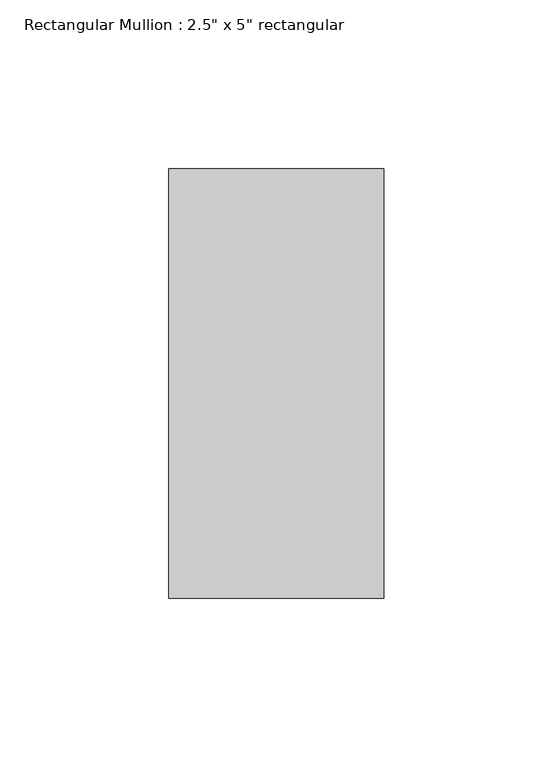
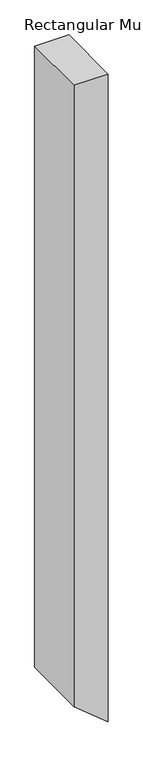
"""IFC4 building model written with IfcOpenShell, lengths in millimetres: member geometry."""

from ifc_helpers import new_model, si_unit, frame, origin, place, context, project, spatial, polyline, outline, extrude, source, transform, mapped, element, save


def member_1c48c444(model_context):
    return source(origin(), model_context, "Body", "SweptSolid", [
        extrude(outline(polyline([(0.0, 0.0), (0.0, -63.5), (-1221.8843238, -63.5), (-1274.0829501, 0.0), (0.0, 0.0)])), frame((0.0, -63.5, 0.0), z_axis=(0.0, 1.0, 0.0), x_axis=(0.0, 0.0, 1.0)), (0.0, 0.0, 1.0), 127.0),
    ])


if __name__ == "__main__":
    model = new_model("IFC4")
    model_context = context("Model", 3, world=origin())
    ifc_project = project(units=[si_unit("LENGTHUNIT", "METRE", prefix="MILLI")], contexts=[model_context])
    site = spatial("IfcSite", under=ifc_project)
    building = spatial("IfcBuilding", under=site)
    placement = place(None, origin())
    member_shape = member_1c48c444(model_context)
    element("IfcMember", 1, ObjectType="Rectangular Mullion : 2.5\" x 5\" rectangular", at=placement, inside=building, context=model_context, shape_type="MappedRepresentation", body=[
        mapped(member_shape, transform((0.0, 0.0, 0.0), x_axis=(1.0, 0.0, 0.0), y_axis=(0.0, 1.0, 0.0), z_axis=(0.0, 0.0, 1.0))),
    ])
    save(model, "model.ifc")
